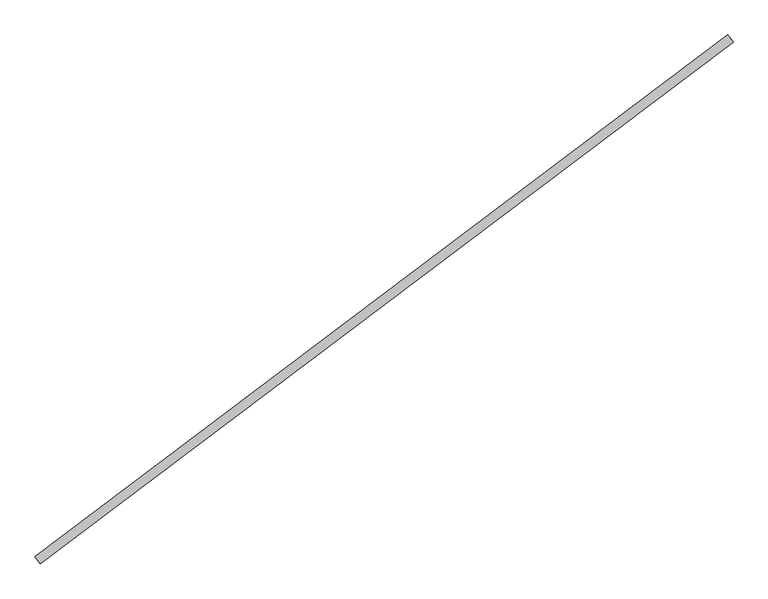
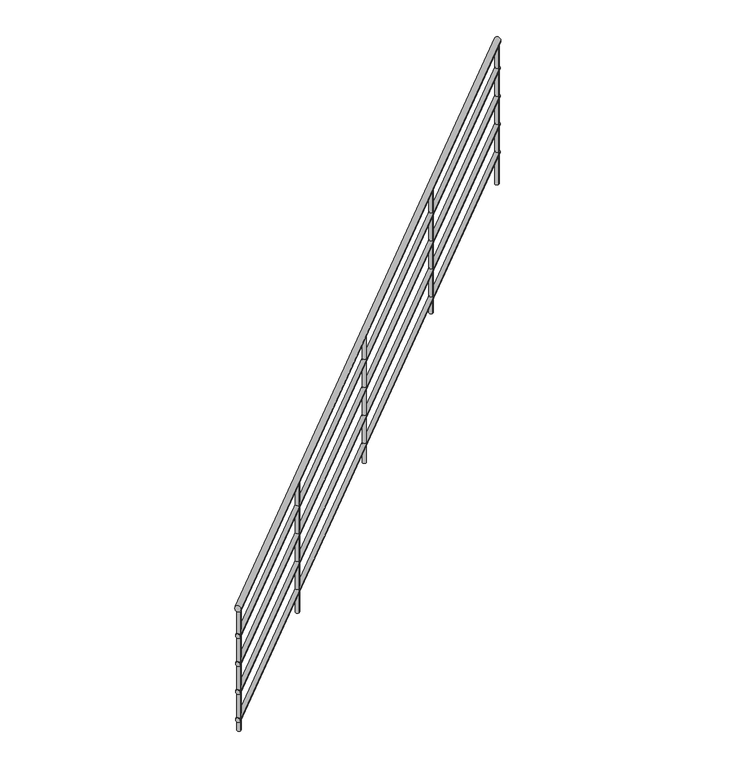
"""IFC4 building model written with IfcOpenShell, lengths in millimetres: railing geometry."""

from ifc_helpers import new_model, si_unit, frame, origin, place, context, project, spatial, circle_curve, ellipse_curve, source, transform, mapped, element, save
from ifc_brep_helpers import plane_surface, cylinder_surface, advanced_brep


def railing_3d734feb(model_context):
    return source(origin(), model_context, "Body", "AdvancedBrep", [
        advanced_brep(
        [(-14996.0378501, -2738.7043535, 878.4541832), (-15020.110451, -2706.7589331, 878.4541832), (-18102.0010668, -5079.2155149, -679.8791501), (-18126.0736677, -5047.2700945, -679.8791501)],
        [
            (0, 1, ellipse_curve(frame((-15008.0741506, -2722.7316433, 878.4541832), z_axis=(0.7986355100472946, 0.601815023152046, 0.0), x_axis=(0.0, 0.0, 0.9999999999999999)), 21.5458168, 20.0)),
            (1, 0, ellipse_curve(frame((-15008.0741506, -2722.7316433, 878.4541832), z_axis=(0.7986355100472946, 0.601815023152046, 0.0), x_axis=(0.0, 0.0, 0.9999999999999999)), 21.5458168, 20.0)),
            (2, 3, ellipse_curve(frame((-18114.0373673, -5063.2428047, -679.8791501), z_axis=(-0.7986355100472946, -0.601815023152046, 0.0), x_axis=(0.0, 0.0, 0.9999999999999999)), 21.5458168, 20.0)),
            (3, 2, ellipse_curve(frame((-18114.0373673, -5063.2428047, -679.8791501), z_axis=(-0.7986355100472946, -0.601815023152046, 0.0), x_axis=(0.0, 0.0, 0.9999999999999999)), 21.5458168, 20.0)),
            (0, 2),
            (3, 1),
        ],
        [
            plane_surface(frame((-15008.0741506, -2722.7316433, 900.0), z_axis=(0.7986355100472946, 0.601815023152046, 0.0), x_axis=(0.601815023152046, -0.7986355100472946, 0.0))),
            plane_surface(frame((-18114.0373673, -5063.2428047, -658.3333333), z_axis=(-0.7986355100472946, -0.601815023152046, 0.0), x_axis=(0.601815023152046, -0.7986355100472946, 0.0))),
            cylinder_surface(frame((-15002.1331675, -2718.2547914, 881.4349113), z_axis=(0.7413369536253951, 0.5586374638952806, 0.37194583627467603), x_axis=(-0.601815023152046, 0.7986355100472945, 0.0)), 20.0),
        ],
        [
            (0, [[1, 2]]),
            (1, [[3, 4]]),
            (2, [[-1, 5, -4, 6]]),
            (2, [[-2, -6, -3, -5]]),
        ],
    ),
        advanced_brep(
        [(-14999.0469252, -2734.7111759, 683.8406374), (-15017.1013759, -2710.7521106, 683.8406374), (-18105.0101419, -5075.2223373, -874.4926959), (-18123.0645926, -5051.263272, -874.4926959)],
        [
            (0, 1, ellipse_curve(frame((-15008.0741506, -2722.7316433, 683.8406374), z_axis=(0.7986355100472946, 0.601815023152046, 0.0), x_axis=(0.0, 0.0, 0.9999999999999999)), 16.1593626, 15.0)),
            (1, 0, ellipse_curve(frame((-15008.0741506, -2722.7316433, 683.8406374), z_axis=(0.7986355100472946, 0.601815023152046, 0.0), x_axis=(0.0, 0.0, 0.9999999999999999)), 16.1593626, 15.0)),
            (2, 3, ellipse_curve(frame((-18114.0373673, -5063.2428047, -874.4926959), z_axis=(-0.7986355100472946, -0.601815023152046, 0.0), x_axis=(0.0, 0.0, 0.9999999999999999)), 16.1593626, 15.0)),
            (3, 2, ellipse_curve(frame((-18114.0373673, -5063.2428047, -874.4926959), z_axis=(-0.7986355100472946, -0.601815023152046, 0.0), x_axis=(0.0, 0.0, 0.9999999999999999)), 16.1593626, 15.0)),
            (0, 2),
            (3, 1),
        ],
        [
            plane_surface(frame((-15008.0741506, -2722.7316433, 700.0), z_axis=(0.7986355100472946, 0.601815023152046, 0.0), x_axis=(0.601815023152046, -0.7986355100472946, 0.0))),
            plane_surface(frame((-18114.0373673, -5063.2428047, -858.3333333), z_axis=(-0.7986355100472946, -0.601815023152046, 0.0), x_axis=(0.601815023152046, -0.7986355100472946, 0.0))),
            cylinder_surface(frame((-15003.6184133, -2719.3740044, 686.0761835), z_axis=(0.7413369536253951, 0.5586374638952806, 0.37194583627467603), x_axis=(-0.601815023152046, 0.7986355100472945, 0.0)), 15.0),
        ],
        [
            (0, [[1, 2]]),
            (1, [[3, 4]]),
            (2, [[-1, 5, -4, 6]]),
            (2, [[-2, -6, -3, -5]]),
        ],
    ),
        advanced_brep(
        [(-14999.0469252, -2734.7111759, 483.8406374), (-15017.1013759, -2710.7521106, 483.8406374), (-18105.0101419, -5075.2223373, -1074.4926959), (-18123.0645926, -5051.263272, -1074.4926959)],
        [
            (0, 1, ellipse_curve(frame((-15008.0741506, -2722.7316433, 483.8406374), z_axis=(0.7986355100472946, 0.601815023152046, 0.0), x_axis=(0.0, 0.0, 0.9999999999999999)), 16.1593626, 15.0)),
            (1, 0, ellipse_curve(frame((-15008.0741506, -2722.7316433, 483.8406374), z_axis=(0.7986355100472946, 0.601815023152046, 0.0), x_axis=(0.0, 0.0, 0.9999999999999999)), 16.1593626, 15.0)),
            (2, 3, ellipse_curve(frame((-18114.0373673, -5063.2428047, -1074.4926959), z_axis=(-0.7986355100472946, -0.601815023152046, 0.0), x_axis=(0.0, 0.0, 0.9999999999999999)), 16.1593626, 15.0)),
            (3, 2, ellipse_curve(frame((-18114.0373673, -5063.2428047, -1074.4926959), z_axis=(-0.7986355100472946, -0.601815023152046, 0.0), x_axis=(0.0, 0.0, 0.9999999999999999)), 16.1593626, 15.0)),
            (0, 2),
            (3, 1),
        ],
        [
            plane_surface(frame((-15008.0741506, -2722.7316433, 500.0), z_axis=(0.7986355100472946, 0.601815023152046, 0.0), x_axis=(0.601815023152046, -0.7986355100472946, 0.0))),
            plane_surface(frame((-18114.0373673, -5063.2428047, -1058.3333333), z_axis=(-0.7986355100472946, -0.601815023152046, 0.0), x_axis=(0.601815023152046, -0.7986355100472946, 0.0))),
            cylinder_surface(frame((-15003.6184133, -2719.3740044, 486.0761835), z_axis=(0.7413369536253951, 0.5586374638952806, 0.37194583627467603), x_axis=(-0.601815023152046, 0.7986355100472945, 0.0)), 15.0),
        ],
        [
            (0, [[1, 2]]),
            (1, [[3, 4]]),
            (2, [[-1, 5, -4, 6]]),
            (2, [[-2, -6, -3, -5]]),
        ],
    ),
        advanced_brep(
        [(-14999.0469252, -2734.7111759, 283.8406374), (-15017.1013759, -2710.7521106, 283.8406374), (-18105.0101419, -5075.2223373, -1274.4926959), (-18123.0645926, -5051.263272, -1274.4926959)],
        [
            (0, 1, ellipse_curve(frame((-15008.0741506, -2722.7316433, 283.8406374), z_axis=(0.7986355100472946, 0.601815023152046, 0.0), x_axis=(0.0, 0.0, 0.9999999999999999)), 16.1593626, 15.0)),
            (1, 0, ellipse_curve(frame((-15008.0741506, -2722.7316433, 283.8406374), z_axis=(0.7986355100472946, 0.601815023152046, 0.0), x_axis=(0.0, 0.0, 0.9999999999999999)), 16.1593626, 15.0)),
            (2, 3, ellipse_curve(frame((-18114.0373673, -5063.2428047, -1274.4926959), z_axis=(-0.7986355100472946, -0.601815023152046, 0.0), x_axis=(0.0, 0.0, 0.9999999999999999)), 16.1593626, 15.0)),
            (3, 2, ellipse_curve(frame((-18114.0373673, -5063.2428047, -1274.4926959), z_axis=(-0.7986355100472946, -0.601815023152046, 0.0), x_axis=(0.0, 0.0, 0.9999999999999999)), 16.1593626, 15.0)),
            (0, 2),
            (3, 1),
        ],
        [
            plane_surface(frame((-15008.0741506, -2722.7316433, 300.0), z_axis=(0.7986355100472946, 0.601815023152046, 0.0), x_axis=(0.601815023152046, -0.7986355100472946, 0.0))),
            plane_surface(frame((-18114.0373673, -5063.2428047, -1258.3333333), z_axis=(-0.7986355100472946, -0.601815023152046, 0.0), x_axis=(0.601815023152046, -0.7986355100472946, 0.0))),
            cylinder_surface(frame((-15003.6184133, -2719.3740044, 286.0761835), z_axis=(0.7413369536253951, 0.5586374638952806, 0.37194583627467603), x_axis=(-0.601815023152046, 0.7986355100472945, 0.0)), 15.0),
        ],
        [
            (0, [[1, 2]]),
            (1, [[3, 4]]),
            (2, [[-1, 5, -4, 6]]),
            (2, [[-2, -6, -3, -5]]),
        ],
    ),
        advanced_brep(
        [(-14999.0469252, -2734.7111759, 83.8406374), (-15017.1013759, -2710.7521106, 83.8406374), (-18105.0101419, -5075.2223373, -1474.4926959), (-18123.0645926, -5051.263272, -1474.4926959)],
        [
            (0, 1, ellipse_curve(frame((-15008.0741506, -2722.7316433, 83.8406374), z_axis=(0.7986355100472946, 0.601815023152046, 0.0), x_axis=(0.0, 0.0, 0.9999999999999999)), 16.1593626, 15.0)),
            (1, 0, ellipse_curve(frame((-15008.0741506, -2722.7316433, 83.8406374), z_axis=(0.7986355100472946, 0.601815023152046, 0.0), x_axis=(0.0, 0.0, 0.9999999999999999)), 16.1593626, 15.0)),
            (2, 3, ellipse_curve(frame((-18114.0373673, -5063.2428047, -1474.4926959), z_axis=(-0.7986355100472946, -0.601815023152046, 0.0), x_axis=(0.0, 0.0, 0.9999999999999999)), 16.1593626, 15.0)),
            (3, 2, ellipse_curve(frame((-18114.0373673, -5063.2428047, -1474.4926959), z_axis=(-0.7986355100472946, -0.601815023152046, 0.0), x_axis=(0.0, 0.0, 0.9999999999999999)), 16.1593626, 15.0)),
            (0, 2),
            (3, 1),
        ],
        [
            plane_surface(frame((-15008.0741506, -2722.7316433, 100.0), z_axis=(0.7986355100472946, 0.601815023152046, 0.0), x_axis=(0.601815023152046, -0.7986355100472946, 0.0))),
            plane_surface(frame((-18114.0373673, -5063.2428047, -1458.3333333), z_axis=(-0.7986355100472946, -0.601815023152046, 0.0), x_axis=(0.601815023152046, -0.7986355100472946, 0.0))),
            cylinder_surface(frame((-15003.6184133, -2719.3740044, 86.0761835), z_axis=(0.7413369536253951, 0.5586374638952806, 0.37194583627467603), x_axis=(-0.601815023152046, 0.7986355100472945, 0.0)), 15.0),
        ],
        [
            (0, [[1, 2]]),
            (1, [[3, 4]]),
            (2, [[-1, 5, -4, 6]]),
            (2, [[-2, -6, -3, -5]]),
        ],
    ),
        advanced_brep(
        [(-17411.5033685, -4518.1937688, -345.1731616), (-17411.5033685, -4518.1937688, -1275.0), (-17396.4579929, -4538.1596566, -1275.0), (-17396.4579929, -4538.1596566, -345.1731616)],
        [
            (0, 1),
            (1, 2, circle_curve(frame((-17403.9806807, -4528.1767127, -1275.0), z_axis=(0.0, 0.0, 1.0000000000000002), x_axis=(0.6018150231520463, -0.7986355100472946, 0.0)), 12.5)),
            (2, 3),
            (3, 0, ellipse_curve(frame((-17403.9806807, -4528.1767127, -345.1731616), z_axis=(0.29704915266319526, 0.2238425920689528, -0.9282544343432627), x_axis=(0.7413369536253942, 0.55863746389528, 0.37194583627467837)), 13.4661355, 12.5)),
            (0, 3, ellipse_curve(frame((-17403.9806807, -4528.1767127, -345.1731616), z_axis=(0.29704915266319526, 0.2238425920689528, -0.9282544343432627), x_axis=(0.7413369536253942, 0.55863746389528, 0.37194583627467837)), 13.4661355, 12.5)),
            (2, 1, circle_curve(frame((-17403.9806807, -4528.1767127, -1275.0), z_axis=(0.0, 0.0, 1.0000000000000002), x_axis=(0.6018150231520463, -0.7986355100472946, 0.0)), 12.5)),
        ],
        [
            cylinder_surface(frame((-17403.9806807, -4528.1767127, -1375.0), z_axis=(0.0, 0.0, 1.0000000000000002), x_axis=(0.6018150231520463, -0.7986355100472946, 0.0)), 12.5),
            plane_surface(frame((-17408.9011929, -4563.187976, -355.1905077), z_axis=(-0.29704915266319526, -0.2238425920689528, 0.9282544343432627), x_axis=(-0.6018150231520463, 0.7986355100472946, 0.0))),
            plane_surface(frame((-17368.9694174, -4533.0972249, -1275.0), z_axis=(0.0, 0.0, -1.0000000000000002), x_axis=(-0.6018150231520463, 0.7986355100472946, 0.0))),
        ],
        [
            (0, [[1, 2, 3, 4]]),
            (0, [[-1, 5, -3, 6]]),
            (1, [[-4, -5]]),
            (2, [[-2, -6]]),
        ],
    ),
        advanced_brep(
        [(-16612.8678585, -3916.3787457, 55.520681), (-16612.8678585, -3916.3787457, -850.0), (-16597.8224829, -3936.3446334, -850.0), (-16597.8224829, -3936.3446334, 55.520681)],
        [
            (0, 1),
            (1, 2, circle_curve(frame((-16605.3451707, -3926.3616896, -850.0), z_axis=(0.0, 0.0, 1.0000000000000002), x_axis=(0.6018150231520463, -0.7986355100472946, 0.0)), 12.5)),
            (2, 3),
            (3, 0, ellipse_curve(frame((-16605.3451707, -3926.3616896, 55.520681), z_axis=(0.29704915266319354, 0.2238425920689515, -0.9282544343432636), x_axis=(0.741336953625395, 0.5586374638952807, 0.3719458362746761)), 13.4661355, 12.5)),
            (0, 3, ellipse_curve(frame((-16605.3451707, -3926.3616896, 55.520681), z_axis=(0.29704915266319354, 0.2238425920689515, -0.9282544343432636), x_axis=(0.741336953625395, 0.5586374638952807, 0.3719458362746761)), 13.4661355, 12.5)),
            (2, 1, circle_curve(frame((-16605.3451707, -3926.3616896, -850.0), z_axis=(0.0, 0.0, 1.0000000000000002), x_axis=(0.6018150231520463, -0.7986355100472946, 0.0)), 12.5)),
        ],
        [
            cylinder_surface(frame((-16605.3451707, -3926.3616896, -950.0), z_axis=(0.0, 0.0, 1.0000000000000002), x_axis=(0.6018150231520463, -0.7986355100472946, 0.0)), 12.5),
            plane_surface(frame((-16610.2656829, -3961.3729529, 45.503335), z_axis=(-0.29704915266319354, -0.2238425920689515, 0.9282544343432636), x_axis=(-0.6018150231520463, 0.7986355100472946, 0.0))),
            plane_surface(frame((-16570.3339073, -3931.2822017, -850.0), z_axis=(0.0, 0.0, -1.0000000000000002), x_axis=(-0.6018150231520463, 0.7986355100472946, 0.0))),
        ],
        [
            (0, [[1, 2, 3, 4]]),
            (0, [[-1, 5, -3, 6]]),
            (1, [[-4, -5]]),
            (2, [[-2, -6]]),
        ],
    ),
        advanced_brep(
        [(-15814.2323484, -3314.5637225, 456.2145237), (-15814.2323484, -3314.5637225, -425.0), (-15799.1869728, -3334.5296103, -425.0), (-15799.1869728, -3334.5296103, 456.2145237)],
        [
            (0, 1),
            (1, 2, circle_curve(frame((-15806.7096606, -3324.5466664, -425.0), z_axis=(0.0, 0.0, 1.0000000000000002), x_axis=(0.6018150231520463, -0.7986355100472946, 0.0)), 12.5)),
            (2, 3),
            (3, 0, ellipse_curve(frame((-15806.7096606, -3324.5466664, 456.2145237), z_axis=(0.29704915266319354, 0.2238425920689515, -0.9282544343432636), x_axis=(0.741336953625395, 0.5586374638952807, 0.3719458362746761)), 13.4661355, 12.5)),
            (0, 3, ellipse_curve(frame((-15806.7096606, -3324.5466664, 456.2145237), z_axis=(0.29704915266319354, 0.2238425920689515, -0.9282544343432636), x_axis=(0.741336953625395, 0.5586374638952807, 0.3719458362746761)), 13.4661355, 12.5)),
            (2, 1, circle_curve(frame((-15806.7096606, -3324.5466664, -425.0), z_axis=(0.0, 0.0, 1.0000000000000002), x_axis=(0.6018150231520463, -0.7986355100472946, 0.0)), 12.5)),
        ],
        [
            cylinder_surface(frame((-15806.7096606, -3324.5466664, -525.0), z_axis=(0.0, 0.0, 1.0000000000000002), x_axis=(0.6018150231520463, -0.7986355100472946, 0.0)), 12.5),
            plane_surface(frame((-15811.6301728, -3359.5579297, 446.1971776), z_axis=(-0.29704915266319354, -0.2238425920689515, 0.9282544343432636), x_axis=(-0.6018150231520463, 0.7986355100472946, 0.0))),
            plane_surface(frame((-15771.6983973, -3329.4671786, -425.0), z_axis=(0.0, 0.0, -1.0000000000000002), x_axis=(-0.6018150231520463, 0.7986355100472946, 0.0))),
        ],
        [
            (0, [[1, 2, 3, 4]]),
            (0, [[-1, 5, -3, 6]]),
            (1, [[-4, -5]]),
            (2, [[-2, -6]]),
        ],
    ),
        advanced_brep(
        [(-18111.5771112, -5045.737173, -696.4162939), (-18111.5771112, -5045.737173, -1553.3246603), (-18096.5317356, -5065.7030607, -1553.3246603), (-18096.5317356, -5065.7030607, -696.4162939)],
        [
            (0, 1),
            (1, 2, circle_curve(frame((-18104.0544234, -5055.7201169, -1553.3246603), z_axis=(0.0, 0.0, 1.0000000000000002), x_axis=(0.6018150231520463, -0.7986355100472946, 0.0)), 12.5)),
            (2, 3),
            (3, 0, ellipse_curve(frame((-18104.0544234, -5055.7201169, -696.4162939), z_axis=(0.29704915266319354, 0.2238425920689515, -0.9282544343432636), x_axis=(0.741336953625395, 0.5586374638952807, 0.3719458362746761)), 13.4661355, 12.5)),
            (0, 3, ellipse_curve(frame((-18104.0544234, -5055.7201169, -696.4162939), z_axis=(0.29704915266319354, 0.2238425920689515, -0.9282544343432636), x_axis=(0.741336953625395, 0.5586374638952807, 0.3719458362746761)), 13.4661355, 12.5)),
            (2, 1, circle_curve(frame((-18104.0544234, -5055.7201169, -1553.3246603), z_axis=(0.0, 0.0, 1.0000000000000002), x_axis=(0.6018150231520463, -0.7986355100472946, 0.0)), 12.5)),
        ],
        [
            cylinder_surface(frame((-18104.0544234, -5055.7201169, -1653.3246603), z_axis=(0.0, 0.0, 1.0000000000000002), x_axis=(0.6018150231520463, -0.7986355100472946, 0.0)), 12.5),
            plane_surface(frame((-18108.9749356, -5090.7313802, -706.43364), z_axis=(-0.29704915266319354, -0.2238425920689515, 0.9282544343432636), x_axis=(-0.6018150231520463, 0.7986355100472946, 0.0))),
            plane_surface(frame((-18069.0431601, -5060.640629, -1553.3246603), z_axis=(0.0, 0.0, -1.0000000000000002), x_axis=(-0.6018150231520463, 0.7986355100472946, 0.0))),
        ],
        [
            (0, [[1, 2, 3, 4]]),
            (0, [[-1, 5, -3, 6]]),
            (1, [[-4, -5]]),
            (2, [[-2, -6]]),
        ],
    ),
        advanced_brep(
        [(-15025.5797823, -2720.2713872, 851.8996933), (-15025.5797823, -2720.2713872, -141.6666667), (-15010.5344067, -2740.2372749, -141.6666667), (-15010.5344067, -2740.2372749, 851.8996933)],
        [
            (0, 1),
            (1, 2, circle_curve(frame((-15018.0570945, -2730.254331, -141.6666667), z_axis=(0.0, 0.0, 1.0000000000000002), x_axis=(0.6018150231520463, -0.7986355100472946, 0.0)), 12.5)),
            (2, 3),
            (3, 0, ellipse_curve(frame((-15018.0570945, -2730.254331, 851.8996933), z_axis=(0.29704915266319354, 0.2238425920689515, -0.9282544343432636), x_axis=(0.741336953625395, 0.5586374638952807, 0.3719458362746761)), 13.4661355, 12.5)),
            (0, 3, ellipse_curve(frame((-15018.0570945, -2730.254331, 851.8996933), z_axis=(0.29704915266319354, 0.2238425920689515, -0.9282544343432636), x_axis=(0.741336953625395, 0.5586374638952807, 0.3719458362746761)), 13.4661355, 12.5)),
            (2, 1, circle_curve(frame((-15018.0570945, -2730.254331, -141.6666667), z_axis=(0.0, 0.0, 1.0000000000000002), x_axis=(0.6018150231520463, -0.7986355100472946, 0.0)), 12.5)),
        ],
        [
            cylinder_surface(frame((-15018.0570945, -2730.254331, -241.6666667), z_axis=(0.0, 0.0, 1.0000000000000002), x_axis=(0.6018150231520463, -0.7986355100472946, 0.0)), 12.5),
            plane_surface(frame((-15022.9776066, -2765.2655944, 841.8823473), z_axis=(-0.29704915266319354, -0.2238425920689515, 0.9282544343432636), x_axis=(-0.6018150231520463, 0.7986355100472946, 0.0))),
            plane_surface(frame((-14983.0458311, -2735.1748432, -141.6666667), z_axis=(0.0, 0.0, -1.0000000000000002), x_axis=(-0.6018150231520463, 0.7986355100472946, 0.0))),
        ],
        [
            (0, [[1, 2, 3, 4]]),
            (0, [[-1, 5, -3, 6]]),
            (1, [[-4, -5]]),
            (2, [[-2, -6]]),
        ],
    ),
    ])


if __name__ == "__main__":
    model = new_model("IFC4")
    model_context = context("Model", 3, world=origin())
    ifc_project = project(units=[si_unit("LENGTHUNIT", "METRE", prefix="MILLI")], contexts=[model_context])
    site = spatial("IfcSite", under=ifc_project)
    building = spatial("IfcBuilding", under=site)
    placement = place(None, origin())
    railing_shape = railing_3d734feb(model_context)
    element("IfcRailing", 1, at=placement, inside=building, context=model_context, shape_type="MappedRepresentation", body=[
        mapped(railing_shape, transform((0.0, 0.0, 0.0), x_axis=(1.0, 0.0, 0.0), y_axis=(0.0, 1.0, 0.0), z_axis=(0.0, 0.0, 1.0))),
    ])
    save(model, "model.ifc")
